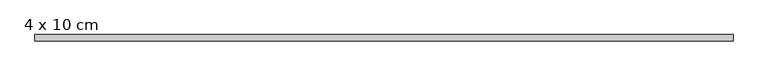
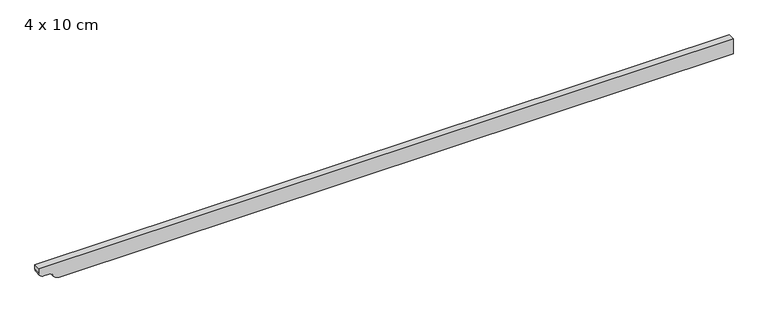
"""IFC4 building model written with IfcOpenShell, lengths in millimetres: beam geometry, 4 x 10 cm."""

from ifc_helpers import new_model, si_unit, point, frame, frame_2d, origin, place, context, project, spatial, polyline, circle_curve, trimmed, segment, composite_curve, outline, extrude, source, transform, mapped, element, save


def beam_4_x_10_cm_e3082b50(model_context):
    return source(origin(), model_context, "Body", "SweptSolid", [
        extrude(outline(composite_curve([segment(polyline([(50.0, 2175.8854786), (50.0, -2215.6137246), (22.5, -2215.6137246)]), True, "CONTINUOUS"), segment(trimmed(circle_curve(frame_2d((22.5, -2183.1137246)), 32.5), [point((22.5, -2215.6137246))], [point((-10.0, -2183.1137246))], False, "CARTESIAN"), True, "CONTINUOUS"), segment(polyline([(-10.0, -2183.1137246), (-10.0, -2152.1035194)]), True, "CONTINUOUS"), segment(trimmed(circle_curve(frame_2d((-40.0, -2152.1035194)), 30.0), [point((-10.0, -2152.1035194))], [point((-34.0, -2122.7096425))], True, "CARTESIAN"), True, "CONTINUOUS"), segment(trimmed(circle_curve(frame_2d((-3.1535049, -2083.3587373)), 50.0), [point((-34.0, -2122.7096425))], [point((-53.1535049, -2083.3587373))], False, "CARTESIAN"), True, "CONTINUOUS"), segment(polyline([(-53.1535049, -2083.3587373), (-53.1535049, 2175.8854786), (50.0, 2175.8854786)]), True, "CONTINUOUS")], self_intersect=False)), frame((0.0, -20.0, 0.0), z_axis=(0.0, 1.0, 0.0), x_axis=(0.0, 0.0, 1.0)), (0.0, 0.0, 1.0), 40.0),
    ])


if __name__ == "__main__":
    model = new_model("IFC4")
    model_context = context("Model", 3, world=origin())
    ifc_project = project(units=[si_unit("LENGTHUNIT", "METRE", prefix="MILLI")], contexts=[model_context])
    site = spatial("IfcSite", under=ifc_project)
    building = spatial("IfcBuilding", under=site)
    placement = place(None, origin())
    beam_4_x_10_cm_shape = beam_4_x_10_cm_e3082b50(model_context)
    element("IfcBeam", 1, ObjectType="4 x 10 cm", at=placement, inside=building, context=model_context, shape_type="MappedRepresentation", body=[
        mapped(beam_4_x_10_cm_shape, transform((0.0, 0.0, 0.0), x_axis=(1.0, 0.0, 0.0), y_axis=(0.0, 1.0, 0.0), z_axis=(0.0, 0.0, 1.0))),
    ])
    save(model, "model.ifc")
